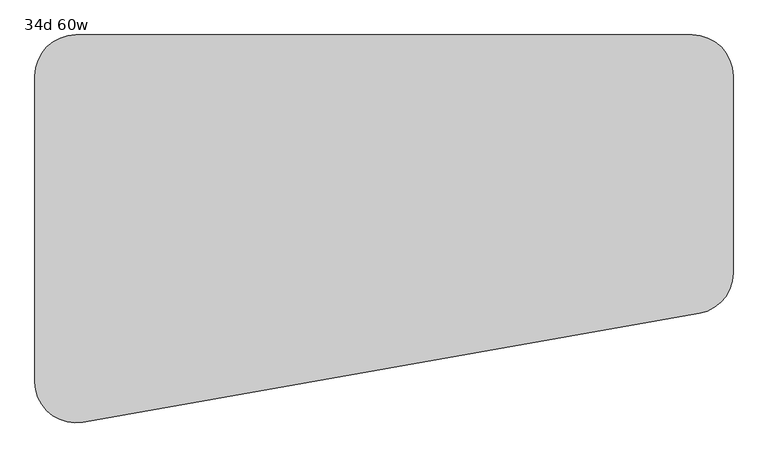
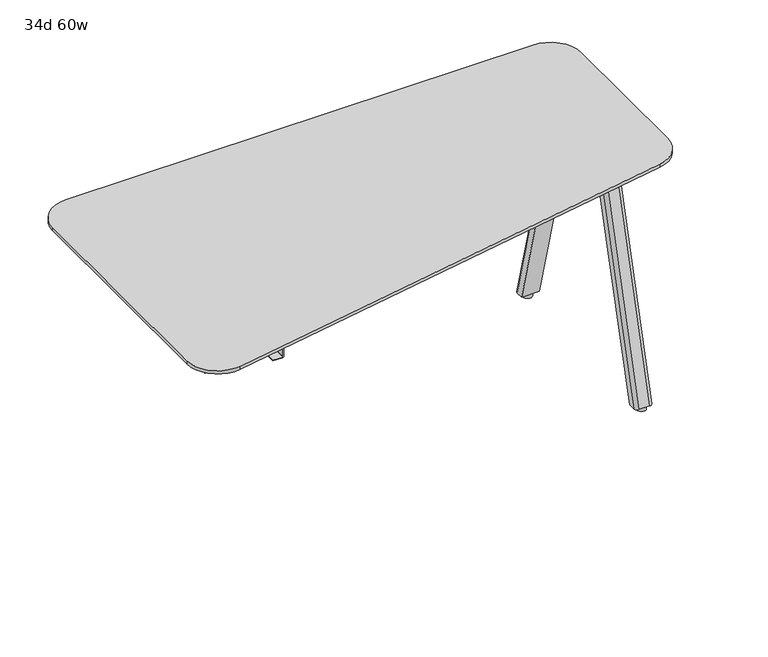
"""IFC4 building model written with IfcOpenShell, lengths in millimetres: furniture geometry, 34d 60w."""

import ifcopenshell
import ifcopenshell.guid

model = None  # the IFC model being written
_history = None  # IfcOwnerHistory: only IFC2X3 demands one
_inside = {}  # id of a spatial element -> (the spatial element, [elements in it])
_under = {}  # id of a project, library or spatial element -> (it, [spatial elements below it])
_declared = {}  # id of a project -> (the project, [libraries it declares])
_typed = {}  # id of a type object -> (the type object, [elements of that type])
_made_of = {}  # id of a material, layer set ... -> (it, [elements and type objects made of it])


def new_model(schema):
    """Start an empty IFC model of exactly this schema.

    Asked for "IFC4X3", IfcOpenShell would pick the latest addendum, in which some entities
    have other attributes; the version numbers below select the first issue.
    IFC2X3 requires an IfcOwnerHistory on every rooted entity: one is made here for all.
    """
    global model, _history
    if schema == "IFC4X3":
        model = ifcopenshell.file(schema_version=(4, 3, 0, 0))
    else:
        model = ifcopenshell.file(schema=schema)
    _inside.clear()
    _under.clear()
    _declared.clear()
    _typed.clear()
    _made_of.clear()
    _history = None
    if model.schema == "IFC2X3":
        org = make("IfcOrganization", Name="unknown")
        user = make(
            "IfcPersonAndOrganization",
            ThePerson=make("IfcPerson", FamilyName="unknown"),
            TheOrganization=org,
        )
        app = make(
            "IfcApplication",
            ApplicationDeveloper=org,
            Version="unknown",
            ApplicationFullName="unknown",
            ApplicationIdentifier="unknown",
        )
        _history = make(
            "IfcOwnerHistory",
            OwningUser=user,
            OwningApplication=app,
            ChangeAction="ADDED",
            CreationDate=0,
        )
    return model


def make(cls, **values):
    """One entity of the class cls with the attributes given. An attribute that is None is left unset."""
    return model.create_entity(
        cls, **{name: value for name, value in values.items() if value is not None}
    )


def rooted(cls, **values):
    """An entity with a GlobalId (a new one), such as an element, a storey or a relation."""
    return make(cls, GlobalId=ifcopenshell.guid.new(), OwnerHistory=_history, **values)


def si_unit(unit_type, name, prefix=None):
    """IfcSIUnit, for example si_unit("LENGTHUNIT", "METRE", prefix="MILLI")."""
    return make("IfcSIUnit", UnitType=unit_type, Prefix=prefix, Name=name)


def assignment(units):
    """IfcUnitAssignment: the units of a project."""
    return None if units is None else make("IfcUnitAssignment", Units=units)


def point(xyz):
    """IfcCartesianPoint."""
    return None if xyz is None else make("IfcCartesianPoint", Coordinates=xyz)


def direction(xyz):
    """IfcDirection."""
    return None if xyz is None else make("IfcDirection", DirectionRatios=xyz)


def frame(location, z_axis=None, x_axis=None):
    """IfcAxis2Placement3D, a coordinate frame: its origin and axes. An axis left out is left unset."""
    return make(
        "IfcAxis2Placement3D",
        Location=point(location),
        Axis=direction(z_axis),
        RefDirection=direction(x_axis),
    )


def frame_2d(location, x_axis=None):
    """IfcAxis2Placement2D, a coordinate frame in the plane: its origin and x axis."""
    return make(
        "IfcAxis2Placement2D", Location=point(location), RefDirection=direction(x_axis)
    )


def origin():
    """The frame at (0, 0, 0) with its axes left unset."""
    return frame((0.0, 0.0, 0.0))


def origin_with_axes():
    """The frame at (0, 0, 0) with the z axis (0, 0, 1) and the x axis (1, 0, 0) written out."""
    return frame((0.0, 0.0, 0.0), z_axis=(0.0, 0.0, 1.0), x_axis=(1.0, 0.0, 0.0))


def place(relative_to, where):
    """IfcLocalPlacement: puts the frame where relative to a parent placement (None: the world)."""
    return make(
        "IfcLocalPlacement", PlacementRelTo=relative_to, RelativePlacement=where
    )


def context(
    kind, dimensions, precision=None, world=None, true_north=None, identifier=None
):
    """IfcGeometricRepresentationContext, for example the 3D "Model" context."""
    return make(
        "IfcGeometricRepresentationContext",
        ContextIdentifier=identifier,
        ContextType=kind,
        CoordinateSpaceDimension=dimensions,
        Precision=precision,
        WorldCoordinateSystem=world,
        TrueNorth=true_north,
    )


def project(units=None, contexts=None):
    """IfcProject with its units and contexts."""
    return rooted(
        "IfcProject",
        Name="project",
        RepresentationContexts=contexts,
        UnitsInContext=assignment(units),
    )


def spatial(cls, under=None, at=None, **own):
    """A site, building, storey or space (cls), placed at a placement, below another one or the project."""
    s = rooted(cls, ObjectPlacement=at, **own)
    if under is not None:
        _under.setdefault(under.id(), (under, []))[1].append(s)
    return s


def polyline(points):
    """IfcPolyline through the points."""
    return make("IfcPolyline", Points=[point(p) for p in points])


def circle_curve(where, radius):
    """IfcCircle in the frame where."""
    return make("IfcCircle", Position=where, Radius=radius)


def trimmed(basis, trim1, trim2, sense, master):
    """IfcTrimmedCurve: the piece of a basis curve between two trims."""
    return make(
        "IfcTrimmedCurve",
        BasisCurve=basis,
        Trim1=trim1,
        Trim2=trim2,
        SenseAgreement=sense,
        MasterRepresentation=master,
    )


def segment(curve, same_sense, transition):
    """IfcCompositeCurveSegment."""
    return make(
        "IfcCompositeCurveSegment",
        Transition=transition,
        SameSense=same_sense,
        ParentCurve=curve,
    )


def composite_curve(segments, self_intersect=None):
    """IfcCompositeCurve: segments joined end to end."""
    return make("IfcCompositeCurve", Segments=segments, SelfIntersect=self_intersect)


def outline(outer, holes=None, kind="AREA"):
    """IfcArbitraryClosedProfileDef: a profile drawn as a closed curve; with holes, ...WithVoids."""
    if holes is None:
        return make("IfcArbitraryClosedProfileDef", ProfileType=kind, OuterCurve=outer)
    return make(
        "IfcArbitraryProfileDefWithVoids",
        ProfileType=kind,
        OuterCurve=outer,
        InnerCurves=holes,
    )


def extrude(swept, where, along, depth):
    """IfcExtrudedAreaSolid: the profile swept, set in the frame where, extruded along a direction by depth."""
    return make(
        "IfcExtrudedAreaSolid",
        SweptArea=swept,
        Position=where,
        ExtrudedDirection=direction(along),
        Depth=depth,
    )


def shape(context_of_items, identifier, shape_type, items):
    """IfcShapeRepresentation: the items that make up one representation, for example the "Body"."""
    return make(
        "IfcShapeRepresentation",
        ContextOfItems=context_of_items,
        RepresentationIdentifier=identifier,
        RepresentationType=shape_type,
        Items=items,
    )


def source(mapping_origin, context_of_items, identifier, shape_type, items):
    """IfcRepresentationMap: a shape defined once, which mapped items show again and again."""
    return make(
        "IfcRepresentationMap",
        MappingOrigin=mapping_origin,
        MappedRepresentation=shape(context_of_items, identifier, shape_type, items),
    )


def transform(
    local_origin,
    x_axis=None,
    y_axis=None,
    z_axis=None,
    scale=None,
    scale2=None,
    scale3=None,
    uniform=True,
):
    """IfcCartesianTransformationOperator3D, or its non-uniform kind. x_axis, y_axis, z_axis: its Axis1, 2, 3."""
    if uniform:
        return make(
            "IfcCartesianTransformationOperator3D",
            Axis1=direction(x_axis),
            Axis2=direction(y_axis),
            LocalOrigin=point(local_origin),
            Scale=scale,
            Axis3=direction(z_axis),
        )
    return make(
        "IfcCartesianTransformationOperator3DnonUniform",
        Axis1=direction(x_axis),
        Axis2=direction(y_axis),
        LocalOrigin=point(local_origin),
        Scale=scale,
        Axis3=direction(z_axis),
        Scale2=scale2,
        Scale3=scale3,
    )


def mapped(mapping_source, mapping_target):
    """IfcMappedItem: shows the shape of a source again, moved by a transform."""
    return make(
        "IfcMappedItem", MappingSource=mapping_source, MappingTarget=mapping_target
    )


def made_of(thing, what):
    """Note that an element or type object is made of a material, layer set ...; save() writes the relation."""
    if what is not None:
        _made_of.setdefault(what.id(), (what, []))[1].append(thing)
    return thing


def element(
    cls,
    number,
    at=None,
    inside=None,
    cuts=None,
    type_object=None,
    material=None,
    context=None,
    identifier="Body",
    shape_type=None,
    held_by="IfcProductDefinitionShape",
    body=None,
    shapes=None,
    **own,
):
    """One element of the class cls, such as IfcWall. Its Tag is "e" and its number.

    at: its placement. inside: the storey or other place that contains it. cuts: it is an
    opening in that element (IfcRelVoidsElement). A single representation is given by context,
    identifier, shape_type and body (its items); several are given by shapes. held_by: the class
    of the entity that holds the representations. save() writes the other relations.
    """
    e = rooted(cls, Tag="e%d" % number, ObjectPlacement=at, **own)
    if body is not None:
        shapes = [shape(context, identifier, shape_type, body)]
    if shapes is not None:
        e.Representation = make(held_by, Representations=shapes)
    if inside is not None:
        _inside.setdefault(inside.id(), (inside, []))[1].append(e)
    if cuts is not None:
        rooted(
            "IfcRelVoidsElement", RelatingBuildingElement=cuts, RelatedOpeningElement=e
        )
    if type_object is not None:
        _typed.setdefault(type_object.id(), (type_object, []))[1].append(e)
    return made_of(e, material)


def aggregate(whole, parts):
    """IfcRelAggregates: a whole, such as a stair, and the parts it consists of."""
    return rooted("IfcRelAggregates", RelatingObject=whole, RelatedObjects=parts)


def save(model, path):
    """Write the relations noted so far, then the file.

    IfcRelAggregates (storeys below a building ...), IfcRelContainedInSpatialStructure (elements
    in a storey), IfcRelDefinesByType, IfcRelAssociatesMaterial and IfcRelDeclares: one each for
    every whole, place, type object, material and project.
    """
    for whole, parts in _under.values():
        aggregate(whole, parts)
    for where, things in _inside.values():
        rooted(
            "IfcRelContainedInSpatialStructure",
            RelatedElements=things,
            RelatingStructure=where,
        )
    for kind, things in _typed.values():
        rooted("IfcRelDefinesByType", RelatedObjects=things, RelatingType=kind)
    for what, things in _made_of.values():
        rooted("IfcRelAssociatesMaterial", RelatedObjects=things, RelatingMaterial=what)
    for by, libraries in _declared.values():
        rooted("IfcRelDeclares", RelatingContext=by, RelatedDefinitions=libraries)
    model.write(path)


def plane_surface(at):
    """IfcPlane: the flat surface through the origin of the frame at, square to its z axis."""
    return make("IfcPlane", Position=at)


def cylinder_surface(at, radius):
    """IfcCylindricalSurface: all points at the distance radius from the z axis of the frame at."""
    return make("IfcCylindricalSurface", Position=at, Radius=radius)


def revolved_surface(curve, axis_point, axis_direction):
    """IfcSurfaceOfRevolution: the curve turned about the line through axis_point along axis_direction."""
    return make(
        "IfcSurfaceOfRevolution",
        SweptCurve=make("IfcArbitraryOpenProfileDef", ProfileType="CURVE", Curve=curve),
        AxisPosition=make("IfcAxis1Placement", Location=point(axis_point), Axis=direction(axis_direction)),
    )


def extruded_surface(curve, direction_of_extrusion, depth):
    """IfcSurfaceOfLinearExtrusion: the curve pushed along a direction by depth."""
    return make(
        "IfcSurfaceOfLinearExtrusion",
        SweptCurve=make("IfcArbitraryOpenProfileDef", ProfileType="CURVE", Curve=curve),
        ExtrudedDirection=direction(direction_of_extrusion),
        Depth=depth,
    )


def advanced_brep(points, edges, surfaces, faces):
    """IfcAdvancedBrep: a solid bounded by faces that lie on surfaces and meet in shared edges.

    An edge is (start, end): straight between two places in points (the first is 0);
    or (start, end, curve); or (start, end, curve, False) where it runs against its curve.
    A face is (place in surfaces, loops), or (place, loops, False) where it looks against
    its surface's normal. A loop lists edges by number (the first is 1), with a minus sign
    where the edge is run from its end to its start. The first loop is the outer one.
    """
    corners = [point(p) for p in points]
    vertices = [make("IfcVertexPoint", VertexGeometry=c) for c in corners]
    made = []
    for start, end, *more in edges:
        made.append(
            make(
                "IfcEdgeCurve",
                EdgeStart=vertices[start],
                EdgeEnd=vertices[end],
                EdgeGeometry=more[0] if more else make("IfcPolyline", Points=[corners[start], corners[end]]),
                SameSense=more[1] if len(more) > 1 else True,
            )
        )
    hull = []
    for where, loops, *sense in faces:
        bounds = []
        for j, loop in enumerate(loops):
            ring = [make("IfcOrientedEdge", EdgeElement=made[abs(k) - 1], Orientation=k > 0) for k in loop]
            bounds.append(
                make(
                    "IfcFaceOuterBound" if j == 0 else "IfcFaceBound",
                    Bound=make("IfcEdgeLoop", EdgeList=ring),
                    Orientation=True,
                )
            )
        hull.append(make("IfcAdvancedFace", Bounds=bounds, FaceSurface=surfaces[where], SameSense=sense[0] if sense else True))
    return make("IfcAdvancedBrep", Outer=make("IfcClosedShell", CfsFaces=hull))


def furniture_34d_60w_6a1453bb(model_context):
    return source(origin(), model_context, "Body", "SolidModel", [
        extrude(outline(composite_curve([segment(trimmed(circle_curve(frame_2d((708.2866241, 10.4825733)), 2.9133759), [point((711.2, 10.4825733))], [point((708.2866241, 7.5691973))], False, "CARTESIAN"), True, "CONTINUOUS"), segment(polyline([(708.2866241, 7.5691973), (549.0057593, 7.5691973)]), True, "CONTINUOUS"), segment(trimmed(circle_curve(frame_2d((549.0057593, 10.4825778)), 2.9133805), [point((549.0057593, 7.5691973))], [point((546.0923788, 10.4825778))], False, "CARTESIAN"), True, "CONTINUOUS"), segment(polyline([(546.0923788, 10.4825778), (546.0923788, 59.011815)]), True, "CONTINUOUS"), segment(trimmed(circle_curve(frame_2d((545.0763787, 59.011815)), 1.0160002), [point((546.0923788, 59.011815))], [point((545.0763787, 60.0278151))], True, "CARTESIAN"), True, "CONTINUOUS"), segment(polyline([(545.0763787, 60.0278151), (516.6283794, 60.0278151)]), True, "CONTINUOUS"), segment(trimmed(circle_curve(frame_2d((516.6283797, 59.011815)), 1.0160002), [point((516.6283794, 60.0278151))], [point((515.6123795, 59.011815))], True, "CARTESIAN"), True, "CONTINUOUS"), segment(polyline([(515.6123795, 59.011815), (515.6123792, 30.1751951), (513.7149992, 30.1751951), (513.7149992, 59.011815)]), True, "CONTINUOUS"), segment(trimmed(circle_curve(frame_2d((516.6283797, 59.011815)), 2.9133805), [point((513.7149992, 59.011815))], [point((516.6283797, 61.9251955))], False, "CARTESIAN"), True, "CONTINUOUS"), segment(polyline([(516.6283797, 61.9251955), (545.0763798, 61.9251955)]), True, "CONTINUOUS"), segment(trimmed(circle_curve(frame_2d((545.0763798, 59.011815)), 2.9133805), [point((545.0763798, 61.9251955))], [point((547.9897603, 59.011815))], False, "CARTESIAN"), True, "CONTINUOUS"), segment(polyline([(547.9897603, 59.011815), (547.9897603, 10.4825733)]), True, "CONTINUOUS"), segment(trimmed(circle_curve(frame_2d((549.0057593, 10.4825733)), 1.015999), [point((547.9897603, 10.4825733))], [point((549.0057593, 9.4665743))], True, "CARTESIAN"), True, "CONTINUOUS"), segment(polyline([(549.0057593, 9.4665743), (708.2866241, 9.4665743)]), True, "CONTINUOUS"), segment(trimmed(circle_curve(frame_2d((708.2866241, 10.4825733)), 1.015999), [point((708.2866241, 9.4665743))], [point((709.3026231, 10.4825733))], True, "CARTESIAN"), True, "CONTINUOUS"), segment(polyline([(709.3026231, 10.4825733), (709.3026231, 87.3252), (711.2, 87.3252), (711.2, 10.4825733)]), True, "CONTINUOUS")], self_intersect=False)), frame((0.0, -314.0610932, 0.0), z_axis=(0.0, 1.0, 0.0), x_axis=(0.0, 0.0, 1.0)), (0.0, 0.0, 1.0), 304.8),
        extrude(outline(composite_curve([segment(polyline([(-166.6748, -314.9678875), (-166.6748, -8.3390657)]), True, "CONTINUOUS"), segment(trimmed(circle_curve(frame_2d((-164.7698109, -8.3390657)), 1.9049891), [point((-166.6748, -8.3390657))], [point((-164.7698109, -6.4340766))], False, "CARTESIAN"), True, "CONTINUOUS"), segment(polyline([(-164.7698109, -6.4340766), (8.3565948, -6.4340766), (8.3565948, -316.8728766), (-164.7698109, -316.8728766)]), True, "CONTINUOUS"), segment(trimmed(circle_curve(frame_2d((-164.7698109, -314.9678875)), 1.9049891), [point((-164.7698109, -316.8728766))], [point((-166.6748, -314.9678875))], False, "CARTESIAN"), True, "CONTINUOUS")], self_intersect=False)), frame((0.0, 0.0, 547.0829797), z_axis=(0.0, 0.0, 1.0), x_axis=(1.0, 0.0, 0.0)), (0.0, 0.0, 1.0), 164.1170203),
        extrude(outline(composite_curve([segment(polyline([(1112.4565, -15.6464359), (1004.5065004, -15.6464359)]), True, "CONTINUOUS"), segment(trimmed(circle_curve(frame_2d((1004.5065004, -6.1214359)), 9.525), [point((1004.5065004, -15.6464359))], [point((994.9815004, -6.1214359))], False, "CARTESIAN"), True, "CONTINUOUS"), segment(polyline([(994.9815004, -6.1214359), (994.9815004, 76.5519335)]), True, "CONTINUOUS"), segment(trimmed(circle_curve(frame_2d((1004.5065004, 76.5519335)), 9.525), [point((994.9815004, 76.5519335))], [point((1004.5065004, 86.0769335))], False, "CARTESIAN"), True, "CONTINUOUS"), segment(polyline([(1004.5065004, 86.0769335), (1112.4565, 86.0769335)]), True, "CONTINUOUS"), segment(trimmed(circle_curve(frame_2d((1112.4565, 76.5519335)), 9.525), [point((1112.4565, 86.0769335))], [point((1121.9815, 76.5519335))], False, "CARTESIAN"), True, "CONTINUOUS"), segment(polyline([(1121.9815, 76.5519335), (1121.9815, -6.1214359)]), True, "CONTINUOUS"), segment(trimmed(circle_curve(frame_2d((1112.4565, -6.1214359)), 9.525), [point((1121.9815, -6.1214359))], [point((1112.4565, -15.6464359))], False, "CARTESIAN"), True, "CONTINUOUS")], self_intersect=False)), frame((0.0, 0.0, 705.2055742), z_axis=(0.0, 0.0, 1.0), x_axis=(1.0, 0.0, 0.0)), (0.0, 0.0, 1.0), 5.9944258),
        advanced_brep(
        [(1106.4875, 78.8527734, 705.2055742), (1074.7375, 78.8527734, 705.2055742), (1065.2125, 69.3277734, 705.2055742), (1065.2125, 48.6902734, 705.2055742), (1116.0125, 48.6902734, 705.2055742), (1116.0125, 69.3277734, 705.2055742), (1106.4875, 265.3410641, 12.7), (1116.0125, 255.8160641, 12.7), (1116.0125, 235.1785641, 12.7), (1065.2125, 235.1785641, 12.7), (1065.2125, 255.8160641, 12.7), (1074.7375, 265.3410641, 12.7)],
        [
            (0, 1),
            (1, 2, circle_curve(frame((1074.7375, 69.3277734, 705.2055742), z_axis=(0.0, 0.0, 1.0), x_axis=(1.0, 0.0, 0.0)), 9.525)),
            (2, 3),
            (3, 4),
            (4, 5),
            (5, 0, circle_curve(frame((1106.4875, 69.3277734, 705.2055742), z_axis=(0.0, 0.0, 1.0), x_axis=(1.0, 0.0, 0.0)), 9.525)),
            (6, 7, circle_curve(frame((1106.4875, 255.8160641, 12.7), z_axis=(0.0, 0.0, -1.0), x_axis=(1.0, 0.0, 0.0)), 9.525)),
            (7, 8),
            (8, 9),
            (9, 10),
            (10, 11, circle_curve(frame((1074.7375, 255.8160641, 12.7), z_axis=(0.0, 0.0, -1.0), x_axis=(1.0, 0.0, 0.0)), 9.525)),
            (11, 6),
            (6, 0),
            (5, 7),
            (4, 8),
            (3, 9),
            (2, 10),
            (1, 11),
        ],
        [
            plane_surface(frame((1090.6125, 65.6236068, 705.2055742), z_axis=(0.0, 0.0, 1.0), x_axis=(-1.0, 0.0, 0.0))),
            plane_surface(frame((1090.6125, 252.1118975, 12.7), z_axis=(0.0, 0.0, -1.0), x_axis=(-1.0, 0.0, 0.0))),
            extruded_surface(trimmed(circle_curve(frame((1106.4875, 69.3277734, 705.2055742), z_axis=(0.0, 0.0, -1.0), x_axis=(1.0, 0.0, 0.0)), 9.525), [point((1106.4875, 78.8527734, 705.2055742))], [point((1116.0125, 69.3277734, 705.2055742))], True, "CARTESIAN"), (0.0, 186.4882907, -692.5055742), 717.1763052878136),
            plane_surface(frame((1116.0125, 245.4973141, 12.7), z_axis=(1.0, 0.0, 0.0), x_axis=(0.0, -1.0, 0.0))),
            plane_surface(frame((1090.6125, 235.1785641, 12.7), z_axis=(0.0, -0.9656001865922422, -0.260031305140414), x_axis=(-1.0, 0.0, 0.0))),
            plane_surface(frame((1065.2125, 245.4973141, 12.7), z_axis=(-1.0, 0.0, 0.0), x_axis=(0.0, 1.0, 0.0))),
            extruded_surface(trimmed(circle_curve(frame((1074.7375, 69.3277734, 705.2055742), z_axis=(0.0, 0.0, -1.0), x_axis=(1.0, 0.0, 0.0)), 9.525), [point((1065.2125, 69.3277734, 705.2055742))], [point((1074.7375, 78.8527734, 705.2055742))], True, "CARTESIAN"), (0.0, 186.4882907, -692.5055742), 717.1763052878136),
            plane_surface(frame((1090.6125, 265.3410641, 12.7), z_axis=(0.0, 0.9656001865922422, 0.260031305140414), x_axis=(1.0, 0.0, 0.0))),
        ],
        [
            (0, [[1, 2, 3, 4, 5, 6]]),
            (1, [[7, 8, 9, 10, 11, 12]]),
            (2, [[13, -6, 14, -7]]),
            (3, [[-14, -5, 15, -8]]),
            (4, [[-15, -4, 16, -9]]),
            (5, [[-16, -3, 17, -10]]),
            (6, [[-17, -2, 18, -11]]),
            (7, [[-18, -1, -13, -12]]),
        ],
    ),
        extrude(outline(composite_curve([segment(trimmed(circle_curve(frame_2d((1090.6125, 249.4660641)), 12.7), [point((1077.9125, 249.4660641))], [point((1103.3125, 249.4660641))], False, "CARTESIAN"), True, "CONTINUOUS"), segment(trimmed(circle_curve(frame_2d((1090.6125, 249.4660641)), 12.7), [point((1103.3125, 249.4660641))], [point((1077.9125, 249.4660641))], False, "CARTESIAN"), True, "CONTINUOUS")], self_intersect=False)), origin_with_axes(), (0.0, 0.0, 1.0), 12.7),
        extrude(outline(composite_curve([segment(trimmed(circle_curve(frame_2d((1112.4565, -63.1855172)), 9.525), [point((1112.4565, -53.6605172))], [point((1121.9815, -63.1855172))], False, "CARTESIAN"), True, "CONTINUOUS"), segment(polyline([(1121.9815, -63.1855172), (1121.9815, -145.8588866)]), True, "CONTINUOUS"), segment(trimmed(circle_curve(frame_2d((1112.4565, -145.8588866)), 9.525), [point((1121.9815, -145.8588866))], [point((1112.4565, -155.3838866))], False, "CARTESIAN"), True, "CONTINUOUS"), segment(polyline([(1112.4565, -155.3838866), (1004.5065004, -155.3838866)]), True, "CONTINUOUS"), segment(trimmed(circle_curve(frame_2d((1004.5065004, -145.8588866)), 9.525), [point((1004.5065004, -155.3838866))], [point((994.9815004, -145.8588866))], False, "CARTESIAN"), True, "CONTINUOUS"), segment(polyline([(994.9815004, -145.8588866), (994.9815004, -63.1855172)]), True, "CONTINUOUS"), segment(trimmed(circle_curve(frame_2d((1004.5065004, -63.1855172)), 9.525), [point((994.9815004, -63.1855172))], [point((1004.5065004, -53.6605172))], False, "CARTESIAN"), True, "CONTINUOUS"), segment(polyline([(1004.5065004, -53.6605172), (1112.4565, -53.6605172)]), True, "CONTINUOUS")], self_intersect=False)), frame((0.0, 0.0, 705.2055742), z_axis=(0.0, 0.0, 1.0), x_axis=(1.0, 0.0, 0.0)), (0.0, 0.0, 1.0), 5.9944258),
        advanced_brep(
        [(1106.4875, -148.1597266, 705.2055742), (1116.0125, -138.6347266, 705.2055742), (1116.0125, -117.9972266, 705.2055742), (1065.2125, -117.9972266, 705.2055742), (1065.2125, -138.6347266, 705.2055742), (1074.7375, -148.1597266, 705.2055742), (1106.4875, -334.6480172, 12.7), (1074.7375, -334.6480172, 12.7), (1065.2125, -325.1230172, 12.7), (1065.2125, -304.4855172, 12.7), (1116.0125, -304.4855172, 12.7), (1116.0125, -325.1230172, 12.7)],
        [
            (0, 1, circle_curve(frame((1106.4875, -138.6347266, 705.2055742), z_axis=(0.0, 0.0, 1.0), x_axis=(1.0, 0.0, 0.0)), 9.525)),
            (1, 2),
            (2, 3),
            (3, 4),
            (4, 5, circle_curve(frame((1074.7375, -138.6347266, 705.2055742), z_axis=(0.0, 0.0, 1.0), x_axis=(1.0, 0.0, 0.0)), 9.525)),
            (5, 0),
            (6, 7),
            (7, 8, circle_curve(frame((1074.7375, -325.1230172, 12.7), z_axis=(0.0, 0.0, -1.0), x_axis=(1.0, 0.0, 0.0)), 9.525)),
            (8, 9),
            (9, 10),
            (10, 11),
            (11, 6, circle_curve(frame((1106.4875, -325.1230172, 12.7), z_axis=(0.0, 0.0, -1.0), x_axis=(1.0, 0.0, 0.0)), 9.525)),
            (11, 1),
            (0, 6),
            (10, 2),
            (9, 3),
            (8, 4),
            (7, 5),
        ],
        [
            plane_surface(frame((1090.6125, -134.9305599, 705.2055742), z_axis=(0.0, 0.0, 1.0), x_axis=(-1.0, 0.0, 0.0))),
            plane_surface(frame((1090.6125, -321.4188506, 12.7), z_axis=(0.0, 0.0, -1.0), x_axis=(-1.0, 0.0, 0.0))),
            extruded_surface(trimmed(circle_curve(frame((1106.4875, -325.1230172, 12.7), z_axis=(0.0, 0.0, 1.0), x_axis=(1.0, 0.0, 0.0)), 9.525), [point((1106.4875, -334.6480172, 12.7))], [point((1116.0125, -325.1230172, 12.7))], True, "CARTESIAN"), (0.0, 186.4882906, 692.5055742), 717.1763052618106),
            plane_surface(frame((1116.0125, -314.8042672, 12.7), z_axis=(1.0, 0.0, 0.0), x_axis=(0.0, 1.0, 0.0))),
            plane_surface(frame((1090.6125, -304.4855172, 12.7), z_axis=(0.0, 0.9656001865922422, -0.260031305140414), x_axis=(-1.0, 0.0, 0.0))),
            plane_surface(frame((1065.2125, -314.8042672, 12.7), z_axis=(-1.0, 0.0, 0.0), x_axis=(0.0, -1.0, 0.0))),
            extruded_surface(trimmed(circle_curve(frame((1074.7375, -325.1230172, 12.7), z_axis=(0.0, 0.0, 1.0), x_axis=(1.0, 0.0, 0.0)), 9.525), [point((1065.2125, -325.1230172, 12.7))], [point((1074.7375, -334.6480172, 12.7))], True, "CARTESIAN"), (0.0, 186.4882906, 692.5055742), 717.1763052618106),
            plane_surface(frame((1090.6125, -334.6480172, 12.7), z_axis=(0.0, -0.9656001865922422, 0.260031305140414), x_axis=(1.0, 0.0, 0.0))),
        ],
        [
            (0, [[1, 2, 3, 4, 5, 6]]),
            (1, [[7, 8, 9, 10, 11, 12]]),
            (2, [[-12, 13, -1, 14]]),
            (3, [[-11, 15, -2, -13]]),
            (4, [[-10, 16, -3, -15]]),
            (5, [[-9, 17, -4, -16]]),
            (6, [[-8, 18, -5, -17]]),
            (7, [[-7, -14, -6, -18]]),
        ],
    ),
        extrude(outline(composite_curve([segment(trimmed(circle_curve(frame_2d((1090.6125, -318.7730172)), 12.7), [point((1077.9125, -318.7730172))], [point((1103.3125, -318.7730172))], False, "CARTESIAN"), True, "CONTINUOUS"), segment(trimmed(circle_curve(frame_2d((1090.6125, -318.7730172)), 12.7), [point((1103.3125, -318.7730172))], [point((1077.9125, -318.7730172))], False, "CARTESIAN"), True, "CONTINUOUS")], self_intersect=False)), origin_with_axes(), (0.0, 0.0, 1.0), 12.7),
        advanced_brep(
        [(-317.5, 181.2465234, 741.3625), (-317.5, -487.5065822, 741.3625), (-213.162677, -575.0559914, 741.3625), (1133.037323, -337.68461, 741.3625), (1206.5, -250.1352007, 741.3625), (1206.5, 181.2465234, 741.3625), (1117.6, 270.1465234, 741.3625), (-228.6, 270.1465234, 741.3625), (1155.7, -250.1352007, 711.2), (1124.2159956, -287.6563761, 711.2), (-221.9840044, -525.0277576, 711.2), (-266.7, -487.5065822, 711.2), (-266.7, 181.2465234, 711.2), (-228.6, 219.3465234, 711.2), (1117.6, 219.3465234, 711.2), (1155.7, 181.2465234, 711.2), (-317.5, 181.2465234, 731.8375), (-317.5, -487.5065822, 731.8375), (1206.5, -250.1352007, 731.8375), (1206.5, 181.2465234, 731.8375), (1117.6, 270.1465234, 731.8375), (-228.6, 270.1465234, 731.8375), (-213.162677, -575.0559914, 731.8375), (1133.037323, -337.68461, 731.8375)],
        [
            (0, 1),
            (1, 2, circle_curve(frame((-228.6, -487.5065822, 741.3625), z_axis=(0.0, 0.0, 1.0), x_axis=(1.0, 0.0, 0.0)), 88.9)),
            (2, 3),
            (3, 4, circle_curve(frame((1117.6, -250.1352007, 741.3625), z_axis=(0.0, 0.0, 1.0), x_axis=(1.0, 0.0, 0.0)), 88.9)),
            (4, 5),
            (5, 6, circle_curve(frame((1117.6, 181.2465234, 741.3625), z_axis=(0.0, 0.0, 1.0), x_axis=(1.0, 0.0, 0.0)), 88.9)),
            (6, 7),
            (7, 0, circle_curve(frame((-228.6, 181.2465234, 741.3625), z_axis=(0.0, 0.0, 1.0), x_axis=(1.0, 0.0, 0.0)), 88.9)),
            (8, 9, circle_curve(frame((1117.6, -250.1352007, 711.2), z_axis=(0.0, 0.0, -1.0), x_axis=(0.17364817766692472, -0.984807753012209, 0.0)), 38.1)),
            (9, 10),
            (10, 11, circle_curve(frame((-228.6, -487.5065822, 711.2), z_axis=(0.0, 0.0, -1.0), x_axis=(-1.0, 0.0, 0.0)), 38.1)),
            (11, 12),
            (12, 13, circle_curve(frame((-228.6, 181.2465234, 711.2), z_axis=(0.0, 0.0, -1.0), x_axis=(0.0, 1.0, 0.0)), 38.1)),
            (13, 14),
            (14, 15, circle_curve(frame((1117.6, 181.2465234, 711.2), z_axis=(0.0, 0.0, -1.0), x_axis=(1.0, 0.0, 0.0)), 38.1)),
            (15, 8),
            (0, 16),
            (16, 17),
            (17, 1),
            (4, 18),
            (18, 19),
            (19, 5),
            (6, 20),
            (20, 21),
            (21, 7),
            (19, 20, circle_curve(frame((1117.6, 181.2465234, 731.8375), z_axis=(0.0, 0.0, 1.0), x_axis=(1.0, 0.0, 0.0)), 88.9)),
            (2, 22),
            (22, 23),
            (23, 3),
            (23, 18, circle_curve(frame((1117.6, -250.1352007, 731.8375), z_axis=(0.0, 0.0, 1.0), x_axis=(1.0, 0.0, 0.0)), 88.9)),
            (8, 18),
            (23, 9),
            (15, 19),
            (14, 20),
            (13, 21),
            (17, 22, circle_curve(frame((-228.6, -487.5065822, 731.8375), z_axis=(0.0, 0.0, 1.0), x_axis=(1.0, 0.0, 0.0)), 88.9)),
            (21, 16, circle_curve(frame((-228.6, 181.2465234, 731.8375), z_axis=(0.0, 0.0, 1.0), x_axis=(1.0, 0.0, 0.0)), 88.9)),
            (12, 16),
            (11, 17),
            (10, 22),
        ],
        [
            plane_surface(frame((-317.5, -487.5065822, 741.3625), z_axis=(0.0, 0.0, 1.0), x_axis=(0.0, -1.0, 0.0))),
            plane_surface(frame((-317.5, -487.5065822, 711.2), z_axis=(0.0, 0.0, -1.0), x_axis=(0.0, 1.0, 0.0))),
            plane_surface(frame((-317.5, 181.2465234, 741.3625), z_axis=(-1.0, 0.0, 0.0), x_axis=(0.0, 0.0, -1.0))),
            plane_surface(frame((1206.5, -250.1352007, 741.3625), z_axis=(1.0, 0.0, 0.0), x_axis=(0.0, 0.0, -1.0))),
            plane_surface(frame((1117.6, 270.1465234, 741.3625), z_axis=(0.0, 1.0, 0.0), x_axis=(0.0, 0.0, -1.0))),
            cylinder_surface(frame((1117.6, 181.2465234, 711.2), z_axis=(0.0, 0.0, 1.0), x_axis=(1.0, 0.0, 0.0)), 88.9),
            plane_surface(frame((-213.162677, -575.0559914, 741.3625), z_axis=(0.17364817766693344, -0.9848077530122076, 0.0), x_axis=(0.0, 0.0, -1.0))),
            cylinder_surface(frame((1117.6, -250.1352007, 711.2), z_axis=(0.0, 0.0, 1.0), x_axis=(1.0, 0.0, 0.0)), 88.9),
            revolved_surface(polyline([(1124.2159956, -287.6563761, 711.2), (1133.037323, -337.68461, 731.8375)]), (1117.6, -250.1352007, 741.3625), (0.0, 0.0, 1.0)),
            plane_surface(frame((1206.5, -250.1352007, 731.8375), z_axis=(0.3763770469564823, 0.0, -0.9264665771220881), x_axis=(0.0, 1.0, 0.0))),
            revolved_surface(polyline([(1155.7, 181.2465234, 711.2), (1206.5, 181.2465234, 731.8375)]), (1117.6, 181.2465234, 741.3625), (0.0, 0.0, 1.0)),
            plane_surface(frame((1117.6, 270.1465234, 731.8375), z_axis=(0.0, 0.3763770469564823, -0.9264665771220881), x_axis=(-1.0, 0.0, 0.0))),
            cylinder_surface(frame((-228.6, -487.5065822, 711.2), z_axis=(0.0, 0.0, 1.0), x_axis=(1.0, 0.0, 0.0)), 88.9),
            cylinder_surface(frame((-228.6, 181.2465234, 711.2), z_axis=(0.0, 0.0, 1.0), x_axis=(1.0, 0.0, 0.0)), 88.9),
            revolved_surface(polyline([(-228.6, 219.3465234, 711.2), (-228.6, 270.1465234, 731.8375)]), (-228.6, 181.2465234, 741.3625), (0.0, 0.0, 1.0)),
            plane_surface(frame((-317.5, 181.2465234, 731.8375), z_axis=(-0.3763770469564823, 0.0, -0.9264665771220881), x_axis=(0.0, -1.0, 0.0))),
            revolved_surface(polyline([(-266.7, -487.5065822, 711.2), (-317.5, -487.5065822, 731.8375)]), (-228.6, -487.5065822, 741.3625), (0.0, 0.0, 1.0)),
            plane_surface(frame((-213.162677, -575.0559914, 731.8375), z_axis=(0.06535718831965498, -0.3706590338985834, -0.9264665771220881), x_axis=(0.9848077530122076, 0.17364817766693347, 0.0))),
        ],
        [
            (0, [[1, 2, 3, 4, 5, 6, 7, 8]]),
            (1, [[9, 10, 11, 12, 13, 14, 15, 16]]),
            (2, [[-1, 17, 18, 19]]),
            (3, [[-5, 20, 21, 22]]),
            (4, [[-7, 23, 24, 25]]),
            (5, [[-6, -22, 26, -23]]),
            (6, [[-3, 27, 28, 29]]),
            (7, [[-4, -29, 30, -20]]),
            (8, [[31, -30, 32, -9]]),
            (9, [[-31, -16, 33, -21]]),
            (10, [[-33, -15, 34, -26]]),
            (11, [[-34, -14, 35, -24]]),
            (12, [[-2, -19, 36, -27]]),
            (13, [[-8, -25, 37, -17]]),
            (14, [[-35, -13, 38, -37]]),
            (15, [[-38, -12, 39, -18]]),
            (16, [[-39, -11, 40, -36]]),
            (17, [[-32, -28, -40, -10]]),
        ],
    ),
    ])


if __name__ == "__main__":
    model = new_model("IFC4")
    model_context = context("Model", 3, world=origin())
    ifc_project = project(units=[si_unit("LENGTHUNIT", "METRE", prefix="MILLI")], contexts=[model_context])
    site = spatial("IfcSite", under=ifc_project)
    building = spatial("IfcBuilding", under=site)
    placement = place(None, origin())
    furniture_34d_60w_shape = furniture_34d_60w_6a1453bb(model_context)
    element("IfcFurniture", 1, ObjectType="34d 60w", at=placement, inside=building, context=model_context, shape_type="MappedRepresentation", body=[
        mapped(furniture_34d_60w_shape, transform((0.0, 0.0, 0.0), x_axis=(1.0, 0.0, 0.0), y_axis=(0.0, 1.0, 0.0), z_axis=(0.0, 0.0, 1.0))),
    ])
    save(model, "model.ifc")
